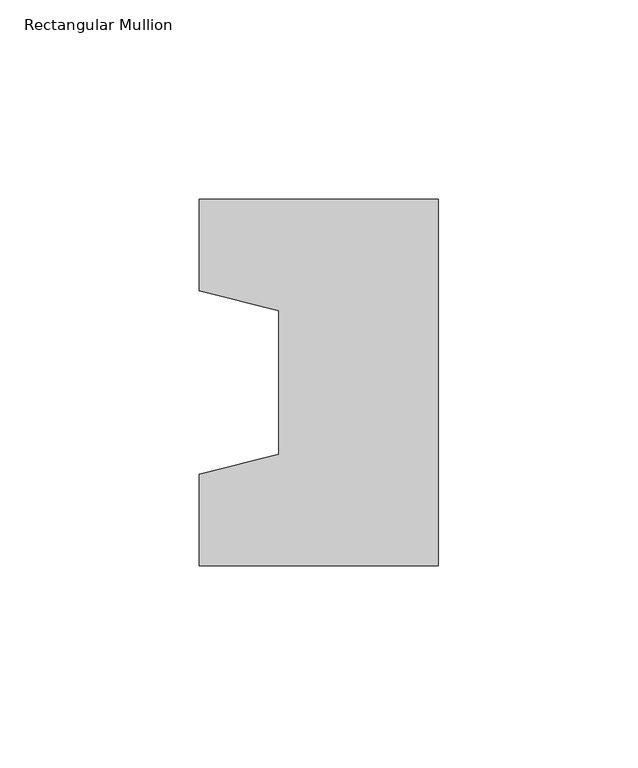
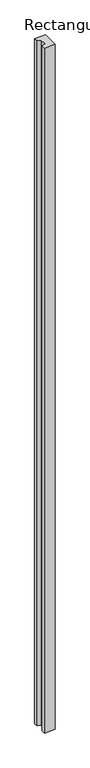
"""IFC4 building model written with IfcOpenShell, lengths in millimetres: column geometry, Rectangular Mullion."""

from ifc_helpers import new_model, si_unit, frame, origin, place, context, project, spatial, polyline, outline, extrude, source, transform, mapped, element, save


def rectangular_mullion_52024a32(model_context):
    return source(origin(), model_context, "Body", "SweptSolid", [
        extrude(outline(polyline([(-60.0, 46.0), (0.0, 46.0), (0.0, -46.0), (-60.0, -46.0), (-60.0, -23.0), (-40.0, -18.0), (-40.0, 18.0), (-60.0, 23.0), (-60.0, 46.0)])), frame((0.0, 0.0, -4000.0), z_axis=(0.0, 0.0, 1.0), x_axis=(1.0, 0.0, 0.0)), (0.0, 0.0, 1.0), 4000.0),
    ])


if __name__ == "__main__":
    model = new_model("IFC4")
    model_context = context("Model", 3, world=origin())
    ifc_project = project(units=[si_unit("LENGTHUNIT", "METRE", prefix="MILLI")], contexts=[model_context])
    site = spatial("IfcSite", under=ifc_project)
    building = spatial("IfcBuilding", under=site)
    placement = place(None, origin())
    rectangular_mullion_shape = rectangular_mullion_52024a32(model_context)
    element("IfcColumn", 1, ObjectType="Rectangular Mullion", at=placement, inside=building, context=model_context, shape_type="MappedRepresentation", body=[
        mapped(rectangular_mullion_shape, transform((0.0, 0.0, 0.0), x_axis=(1.0, 0.0, 0.0), y_axis=(0.0, 1.0, 0.0), z_axis=(0.0, 0.0, 1.0))),
    ])
    save(model, "model.ifc")
